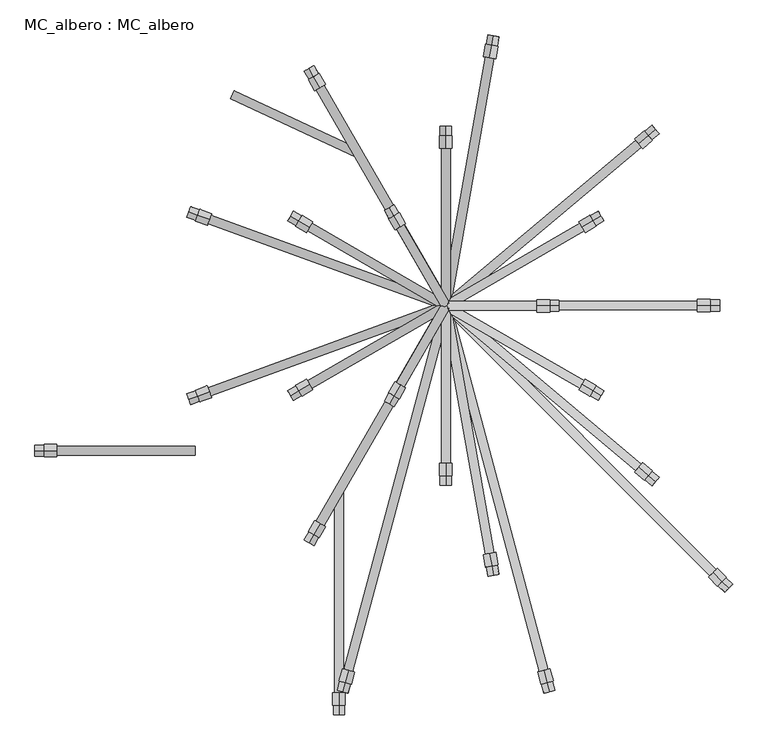
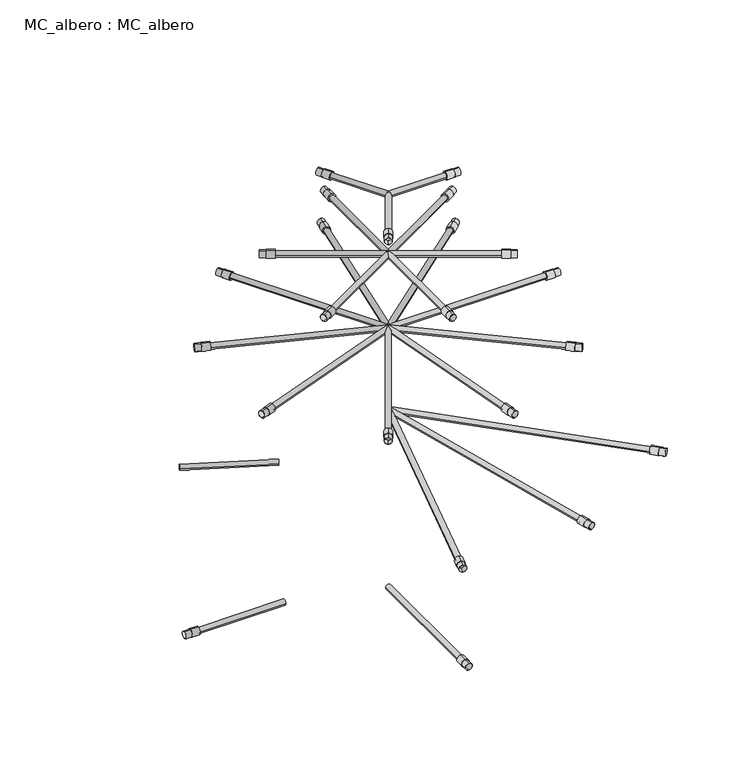
"""IFC4 building model written with IfcOpenShell, lengths in millimetres: proxy geometry, MC_albero : MC_albero."""

from ifc_helpers import new_model, si_unit, point, frame, frame_2d, origin, place, context, project, spatial, circle_curve, trimmed, segment, composite_curve, outline, extrude, source, transform, mapped, element, save


def mc_albero_mc_albero_b9264d87(model_context):
    return source(origin(), model_context, "Body", "SweptSolid", [
        extrude(outline(composite_curve([segment(trimmed(circle_curve(frame_2d((0.0, -7.0)), 7.0), [point((0.0, -14.0))], [point((0.0, 0.0))], False, "CARTESIAN"), True, "CONTINUOUS"), segment(trimmed(circle_curve(frame_2d((0.0, -7.0)), 7.0), [point((0.0, 0.0))], [point((0.0, -14.0))], False, "CARTESIAN"), True, "CONTINUOUS")], self_intersect=False)), frame((-142.9583278, 236.1429586, 369.4441846), z_axis=(-0.9063077870366488, 0.4226182617407018, 0.0), x_axis=(0.0, 0.0, -1.0)), (0.0, 0.0, 1.0), 220.0),
        extrude(outline(composite_curve([segment(trimmed(circle_curve(frame_2d((-230.0, 369.4441846)), 9.0), [point((-230.0, 378.4441846))], [point((-230.0, 360.4441846))], False, "CARTESIAN"), True, "CONTINUOUS"), segment(trimmed(circle_curve(frame_2d((-230.0, 369.4441846)), 9.0), [point((-230.0, 360.4441846))], [point((-230.0, 378.4441846))], False, "CARTESIAN"), True, "CONTINUOUS")], self_intersect=False), holes=[composite_curve([segment(trimmed(circle_curve(frame_2d((-230.0, 369.4441846)), 8.5), [point((-230.0, 377.9441846))], [point((-230.0, 360.9441846))], True, "CARTESIAN"), True, "CONTINUOUS"), segment(trimmed(circle_curve(frame_2d((-230.0, 369.4441846)), 8.5), [point((-230.0, 360.9441846))], [point((-230.0, 377.9441846))], True, "CARTESIAN"), True, "CONTINUOUS")], self_intersect=False)]), frame((-653.3716857, 0.0, 0.0), z_axis=(1.0, 0.0, 0.0), x_axis=(0.0, 1.0, 0.0)), (0.0, 0.0, 1.0), 15.0),
        extrude(outline(composite_curve([segment(trimmed(circle_curve(frame_2d((-230.0, 369.4441846)), 10.0), [point((-230.0, 379.4441846))], [point((-230.0, 359.4441846))], False, "CARTESIAN"), True, "CONTINUOUS"), segment(trimmed(circle_curve(frame_2d((-230.0, 369.4441846)), 10.0), [point((-230.0, 359.4441846))], [point((-230.0, 379.4441846))], False, "CARTESIAN"), True, "CONTINUOUS")], self_intersect=False)), frame((-638.3716857, 0.0, 0.0), z_axis=(1.0, 0.0, 0.0), x_axis=(0.0, 1.0, 0.0)), (0.0, 0.0, 1.0), 20.0),
        extrude(outline(composite_curve([segment(trimmed(circle_curve(frame_2d((-230.0, 369.4441846)), 7.0), [point((-223.0, 369.4441846))], [point((-237.0, 369.4441846))], False, "CARTESIAN"), True, "CONTINUOUS"), segment(trimmed(circle_curve(frame_2d((-230.0, 369.4441846)), 7.0), [point((-237.0, 369.4441846))], [point((-223.0, 369.4441846))], False, "CARTESIAN"), True, "CONTINUOUS")], self_intersect=False)), frame((-618.3716857, 0.0, 0.0), z_axis=(1.0, 0.0, 0.0), x_axis=(0.0, 1.0, 0.0)), (0.0, 0.0, 1.0), 220.0),
        extrude(outline(composite_curve([segment(trimmed(circle_curve(frame_2d((369.4441846, -170.0)), 9.0), [point((378.4441846, -170.0))], [point((360.4441846, -170.0))], False, "CARTESIAN"), True, "CONTINUOUS"), segment(trimmed(circle_curve(frame_2d((369.4441846, -170.0)), 9.0), [point((360.4441846, -170.0))], [point((378.4441846, -170.0))], False, "CARTESIAN"), True, "CONTINUOUS")], self_intersect=False), holes=[composite_curve([segment(trimmed(circle_curve(frame_2d((369.4441846, -170.0)), 8.5), [point((377.9441846, -170.0))], [point((360.9441846, -170.0))], True, "CARTESIAN"), True, "CONTINUOUS"), segment(trimmed(circle_curve(frame_2d((369.4441846, -170.0)), 8.5), [point((360.9441846, -170.0))], [point((377.9441846, -170.0))], True, "CARTESIAN"), True, "CONTINUOUS")], self_intersect=False)]), frame((0.0, -649.4486373, 0.0), z_axis=(0.0, 1.0, 0.0), x_axis=(0.0, 0.0, 1.0)), (0.0, 0.0, 1.0), 15.0),
        extrude(outline(composite_curve([segment(trimmed(circle_curve(frame_2d((369.4441846, -170.0)), 10.0), [point((379.4441846, -170.0))], [point((359.4441846, -170.0))], False, "CARTESIAN"), True, "CONTINUOUS"), segment(trimmed(circle_curve(frame_2d((369.4441846, -170.0)), 10.0), [point((359.4441846, -170.0))], [point((379.4441846, -170.0))], False, "CARTESIAN"), True, "CONTINUOUS")], self_intersect=False)), frame((0.0, -634.4486373, 0.0), z_axis=(0.0, 1.0, 0.0), x_axis=(0.0, 0.0, 1.0)), (0.0, 0.0, 1.0), 20.0),
        extrude(outline(composite_curve([segment(trimmed(circle_curve(frame_2d((369.4441846, -170.0)), 7.0), [point((369.4441846, -177.0))], [point((369.4441846, -163.0))], False, "CARTESIAN"), True, "CONTINUOUS"), segment(trimmed(circle_curve(frame_2d((369.4441846, -170.0)), 7.0), [point((369.4441846, -163.0))], [point((369.4441846, -177.0))], False, "CARTESIAN"), True, "CONTINUOUS")], self_intersect=False)), frame((0.0, -614.4486373, 0.0), z_axis=(0.0, 1.0, 0.0), x_axis=(0.0, 0.0, 1.0)), (0.0, 0.0, 1.0), 320.0),
        extrude(outline(composite_curve([segment(trimmed(circle_curve(frame_2d((0.0, -9.0)), 9.0), [point((0.0, -18.0))], [point((0.0, 0.0))], False, "CARTESIAN"), True, "CONTINUOUS"), segment(trimmed(circle_curve(frame_2d((0.0, -9.0)), 9.0), [point((0.0, 0.0))], [point((0.0, -18.0))], False, "CARTESIAN"), True, "CONTINUOUS")], self_intersect=False), holes=[composite_curve([segment(trimmed(circle_curve(frame_2d((0.0, -9.0)), 8.5), [point((0.0, -17.5))], [point((0.0, -0.5))], True, "CARTESIAN"), True, "CONTINUOUS"), segment(trimmed(circle_curve(frame_2d((0.0, -9.0)), 8.5), [point((0.0, -0.5))], [point((0.0, -17.5))], True, "CARTESIAN"), True, "CONTINUOUS")], self_intersect=False)]), frame((-82.5, 142.8941916, 1180.4441846), z_axis=(-0.49999999999999506, 0.8660254037844415, 0.0), x_axis=(0.8660254037844415, 0.49999999999999506, 0.0)), (0.0, 0.0, 1.0), 15.0),
        extrude(outline(composite_curve([segment(trimmed(circle_curve(frame_2d((0.0, -10.0)), 10.0), [point((0.0, -20.0))], [point((0.0, 0.0))], False, "CARTESIAN"), True, "CONTINUOUS"), segment(trimmed(circle_curve(frame_2d((0.0, -10.0)), 10.0), [point((0.0, 0.0))], [point((0.0, -20.0))], False, "CARTESIAN"), True, "CONTINUOUS")], self_intersect=False)), frame((-72.5, 125.5736835, 1179.4441846), z_axis=(-0.49999999999999506, 0.8660254037844415, 0.0), x_axis=(0.8660254037844415, 0.49999999999999506, 0.0)), (0.0, 0.0, 1.0), 20.0),
        extrude(outline(composite_curve([segment(trimmed(circle_curve(frame_2d((0.0, -7.0)), 7.0), [point((0.0, -14.0))], [point((0.0, 0.0))], False, "CARTESIAN"), True, "CONTINUOUS"), segment(trimmed(circle_curve(frame_2d((0.0, -7.0)), 7.0), [point((0.0, 0.0))], [point((0.0, -14.0))], False, "CARTESIAN"), True, "CONTINUOUS")], self_intersect=False)), frame((-6.0621778, -3.5, 1189.4441846), z_axis=(-0.49999999999999506, 0.8660254037844415, 0.0), x_axis=(0.0, 0.0, -1.0)), (0.0, 0.0, 1.0), 145.0),
        extrude(outline(composite_curve([segment(trimmed(circle_curve(frame_2d((0.0, -9.0)), 9.0), [point((0.0, -18.0))], [point((0.0, 0.0))], False, "CARTESIAN"), True, "CONTINUOUS"), segment(trimmed(circle_curve(frame_2d((0.0, -9.0)), 9.0), [point((0.0, 0.0))], [point((0.0, -18.0))], False, "CARTESIAN"), True, "CONTINUOUS")], self_intersect=False), holes=[composite_curve([segment(trimmed(circle_curve(frame_2d((0.0, -9.0)), 8.5), [point((0.0, -17.5))], [point((0.0, -0.5))], True, "CARTESIAN"), True, "CONTINUOUS"), segment(trimmed(circle_curve(frame_2d((0.0, -9.0)), 8.5), [point((0.0, -0.5))], [point((0.0, -17.5))], True, "CARTESIAN"), True, "CONTINUOUS")], self_intersect=False)]), frame((-90.0, -155.8845727, 1180.4441846), z_axis=(0.5000000000000062, 0.866025403784435, 0.0), x_axis=(0.866025403784435, -0.5000000000000062, 0.0)), (0.0, 0.0, 1.0), 15.0),
        extrude(outline(composite_curve([segment(trimmed(circle_curve(frame_2d((0.0, -10.0)), 10.0), [point((0.0, -20.0))], [point((0.0, 0.0))], False, "CARTESIAN"), True, "CONTINUOUS"), segment(trimmed(circle_curve(frame_2d((0.0, -10.0)), 10.0), [point((0.0, 0.0))], [point((0.0, -20.0))], False, "CARTESIAN"), True, "CONTINUOUS")], self_intersect=False)), frame((-82.5, -142.8941916, 1179.4441846), z_axis=(0.5000000000000062, 0.866025403784435, 0.0), x_axis=(0.866025403784435, -0.5000000000000062, 0.0)), (0.0, 0.0, 1.0), 20.0),
        extrude(outline(composite_curve([segment(trimmed(circle_curve(frame_2d((0.0, -7.0)), 7.0), [point((0.0, -14.0))], [point((0.0, 0.0))], False, "CARTESIAN"), True, "CONTINUOUS"), segment(trimmed(circle_curve(frame_2d((0.0, -7.0)), 7.0), [point((0.0, 0.0))], [point((0.0, -14.0))], False, "CARTESIAN"), True, "CONTINUOUS")], self_intersect=False)), frame((-66.4378222, -129.0736835, 1189.4441846), z_axis=(0.5000000000000062, 0.866025403784435, 0.0), x_axis=(0.0, 0.0, 1.0)), (0.0, 0.0, 1.0), 145.0),
        extrude(outline(composite_curve([segment(trimmed(circle_curve(frame_2d((0.0, 1189.4441846)), 9.0), [point((0.0, 1198.4441846))], [point((0.0, 1180.4441846))], False, "CARTESIAN"), True, "CONTINUOUS"), segment(trimmed(circle_curve(frame_2d((0.0, 1189.4441846)), 9.0), [point((0.0, 1180.4441846))], [point((0.0, 1198.4441846))], False, "CARTESIAN"), True, "CONTINUOUS")], self_intersect=False), holes=[composite_curve([segment(trimmed(circle_curve(frame_2d((0.0, 1189.4441846)), 8.5), [point((0.0, 1197.9441846))], [point((0.0, 1180.9441846))], True, "CARTESIAN"), True, "CONTINUOUS"), segment(trimmed(circle_curve(frame_2d((0.0, 1189.4441846)), 8.5), [point((0.0, 1180.9441846))], [point((0.0, 1197.9441846))], True, "CARTESIAN"), True, "CONTINUOUS")], self_intersect=False)]), frame((165.0, 0.0, 0.0), z_axis=(1.0, 0.0, 0.0), x_axis=(0.0, 1.0, 0.0)), (0.0, 0.0, 1.0), 15.0),
        extrude(outline(composite_curve([segment(trimmed(circle_curve(frame_2d((0.0, 1189.4441846)), 10.0), [point((0.0, 1199.4441846))], [point((0.0, 1179.4441846))], False, "CARTESIAN"), True, "CONTINUOUS"), segment(trimmed(circle_curve(frame_2d((0.0, 1189.4441846)), 10.0), [point((0.0, 1179.4441846))], [point((0.0, 1199.4441846))], False, "CARTESIAN"), True, "CONTINUOUS")], self_intersect=False)), frame((145.0, 0.0, 0.0), z_axis=(1.0, 0.0, 0.0), x_axis=(0.0, 1.0, 0.0)), (0.0, 0.0, 1.0), 20.0),
        extrude(outline(composite_curve([segment(trimmed(circle_curve(frame_2d((0.0, 1189.4441846)), 7.0), [point((-7.0, 1189.4441846))], [point((7.0, 1189.4441846))], False, "CARTESIAN"), True, "CONTINUOUS"), segment(trimmed(circle_curve(frame_2d((0.0, 1189.4441846)), 7.0), [point((7.0, 1189.4441846))], [point((-7.0, 1189.4441846))], False, "CARTESIAN"), True, "CONTINUOUS")], self_intersect=False)), frame((0.0, 0.0, 0.0), z_axis=(1.0, 0.0, 0.0), x_axis=(0.0, 1.0, 0.0)), (0.0, 0.0, 1.0), 145.0),
        extrude(outline(composite_curve([segment(trimmed(circle_curve(frame_2d((1029.4441846, -0.1114711)), 9.0), [point((1038.4441846, -0.1114711))], [point((1020.4441846, -0.1114711))], False, "CARTESIAN"), True, "CONTINUOUS"), segment(trimmed(circle_curve(frame_2d((1029.4441846, -0.1114711)), 9.0), [point((1020.4441846, -0.1114711))], [point((1038.4441846, -0.1114711))], False, "CARTESIAN"), True, "CONTINUOUS")], self_intersect=False), holes=[composite_curve([segment(trimmed(circle_curve(frame_2d((1029.4441846, -0.1114711)), 8.5), [point((1037.9441846, -0.1114711))], [point((1020.9441846, -0.1114711))], True, "CARTESIAN"), True, "CONTINUOUS"), segment(trimmed(circle_curve(frame_2d((1029.4441846, -0.1114711)), 8.5), [point((1020.9441846, -0.1114711))], [point((1037.9441846, -0.1114711))], True, "CARTESIAN"), True, "CONTINUOUS")], self_intersect=False)]), frame((0.0, -285.0352524, 0.0), z_axis=(0.0, 1.0, 0.0), x_axis=(0.0, 0.0, 1.0)), (0.0, 0.0, 1.0), 15.0),
        extrude(outline(composite_curve([segment(trimmed(circle_curve(frame_2d((1029.4441846, -0.1114711)), 10.0), [point((1039.4441846, -0.1114711))], [point((1019.4441846, -0.1114711))], False, "CARTESIAN"), True, "CONTINUOUS"), segment(trimmed(circle_curve(frame_2d((1029.4441846, -0.1114711)), 10.0), [point((1019.4441846, -0.1114711))], [point((1039.4441846, -0.1114711))], False, "CARTESIAN"), True, "CONTINUOUS")], self_intersect=False)), frame((0.0, -270.0352524, 0.0), z_axis=(0.0, 1.0, 0.0), x_axis=(0.0, 0.0, 1.0)), (0.0, 0.0, 1.0), 20.0),
        extrude(outline(composite_curve([segment(trimmed(circle_curve(frame_2d((1029.4441846, -0.1114711)), 7.0), [point((1029.4441846, -7.1114711))], [point((1029.4441846, 6.8885289))], False, "CARTESIAN"), True, "CONTINUOUS"), segment(trimmed(circle_curve(frame_2d((1029.4441846, -0.1114711)), 7.0), [point((1029.4441846, 6.8885289))], [point((1029.4441846, -7.1114711))], False, "CARTESIAN"), True, "CONTINUOUS")], self_intersect=False)), frame((0.0, -250.0352524, 0.0), z_axis=(0.0, 1.0, 0.0), x_axis=(0.0, 0.0, 1.0)), (0.0, 0.0, 1.0), 250.0),
        extrude(outline(composite_curve([segment(trimmed(circle_curve(frame_2d((0.0, -9.0)), 9.0), [point((0.0, -18.0))], [point((0.0, 0.0))], False, "CARTESIAN"), True, "CONTINUOUS"), segment(trimmed(circle_curve(frame_2d((0.0, -9.0)), 9.0), [point((0.0, 0.0))], [point((0.0, -18.0))], False, "CARTESIAN"), True, "CONTINUOUS")], self_intersect=False), holes=[composite_curve([segment(trimmed(circle_curve(frame_2d((0.0, -9.0)), 8.5), [point((0.0, -17.5))], [point((0.0, -0.5))], True, "CARTESIAN"), True, "CONTINUOUS"), segment(trimmed(circle_curve(frame_2d((0.0, -9.0)), 8.5), [point((0.0, -0.5))], [point((0.0, -17.5))], True, "CARTESIAN"), True, "CONTINUOUS")], self_intersect=False)]), frame((-246.9287112, -142.5352524, 1020.4441846), z_axis=(0.8660254037844455, 0.4999999999999883, 0.0), x_axis=(0.4999999999999883, -0.8660254037844455, 0.0)), (0.0, 0.0, 1.0), 15.0),
        extrude(outline(composite_curve([segment(trimmed(circle_curve(frame_2d((0.0, -10.0)), 10.0), [point((0.0, -20.0))], [point((0.0, 0.0))], False, "CARTESIAN"), True, "CONTINUOUS"), segment(trimmed(circle_curve(frame_2d((0.0, -10.0)), 10.0), [point((0.0, 0.0))], [point((0.0, -20.0))], False, "CARTESIAN"), True, "CONTINUOUS")], self_intersect=False)), frame((-233.9383301, -135.0352524, 1019.4441846), z_axis=(0.8660254037844455, 0.4999999999999883, 0.0), x_axis=(0.4999999999999883, -0.8660254037844455, 0.0)), (0.0, 0.0, 1.0), 20.0),
        extrude(outline(composite_curve([segment(trimmed(circle_curve(frame_2d((0.0, -7.0)), 7.0), [point((0.0, -14.0))], [point((0.0, 0.0))], False, "CARTESIAN"), True, "CONTINUOUS"), segment(trimmed(circle_curve(frame_2d((0.0, -7.0)), 7.0), [point((0.0, 0.0))], [point((0.0, -14.0))], False, "CARTESIAN"), True, "CONTINUOUS")], self_intersect=False)), frame((-213.1178221, -131.0974302, 1029.4441846), z_axis=(0.8660254037844455, 0.4999999999999883, 0.0), x_axis=(0.0, 0.0, 1.0)), (0.0, 0.0, 1.0), 250.0),
        extrude(outline(composite_curve([segment(trimmed(circle_curve(frame_2d((0.0, -9.0)), 9.0), [point((0.0, -18.0))], [point((0.0, 0.0))], False, "CARTESIAN"), True, "CONTINUOUS"), segment(trimmed(circle_curve(frame_2d((0.0, -9.0)), 9.0), [point((0.0, 0.0))], [point((0.0, -18.0))], False, "CARTESIAN"), True, "CONTINUOUS")], self_intersect=False), holes=[composite_curve([segment(trimmed(circle_curve(frame_2d((0.0, -9.0)), 8.5), [point((0.0, -17.5))], [point((0.0, -0.5))], True, "CARTESIAN"), True, "CONTINUOUS"), segment(trimmed(circle_curve(frame_2d((0.0, -9.0)), 8.5), [point((0.0, -0.5))], [point((0.0, -17.5))], True, "CARTESIAN"), True, "CONTINUOUS")], self_intersect=False)]), frame((-233.9383301, 134.9647476, 1020.4441846), z_axis=(-0.8660254037844324, 0.5000000000000111, 0.0), x_axis=(0.5000000000000111, 0.8660254037844324, 0.0)), (0.0, 0.0, 1.0), 15.0),
        extrude(outline(composite_curve([segment(trimmed(circle_curve(frame_2d((0.0, -10.0)), 10.0), [point((0.0, -20.0))], [point((0.0, 0.0))], False, "CARTESIAN"), True, "CONTINUOUS"), segment(trimmed(circle_curve(frame_2d((0.0, -10.0)), 10.0), [point((0.0, 0.0))], [point((0.0, -20.0))], False, "CARTESIAN"), True, "CONTINUOUS")], self_intersect=False)), frame((-216.6178221, 124.9647476, 1019.4441846), z_axis=(-0.8660254037844324, 0.5000000000000111, 0.0), x_axis=(0.5000000000000111, 0.8660254037844324, 0.0)), (0.0, 0.0, 1.0), 20.0),
        extrude(outline(composite_curve([segment(trimmed(circle_curve(frame_2d((0.0, -7.0)), 7.0), [point((0.0, -14.0))], [point((0.0, 0.0))], False, "CARTESIAN"), True, "CONTINUOUS"), segment(trimmed(circle_curve(frame_2d((0.0, -7.0)), 7.0), [point((0.0, 0.0))], [point((0.0, -14.0))], False, "CARTESIAN"), True, "CONTINUOUS")], self_intersect=False)), frame((-3.6114711, -6.0974302, 1029.4441846), z_axis=(-0.8660254037844324, 0.5000000000000111, 0.0), x_axis=(0.0, 0.0, -1.0)), (0.0, 0.0, 1.0), 250.0),
        extrude(outline(composite_curve([segment(trimmed(circle_curve(frame_2d((1029.4441846, -0.1114711)), 9.0), [point((1038.4441846, -0.1114711))], [point((1020.4441846, -0.1114711))], False, "CARTESIAN"), True, "CONTINUOUS"), segment(trimmed(circle_curve(frame_2d((1029.4441846, -0.1114711)), 9.0), [point((1020.4441846, -0.1114711))], [point((1038.4441846, -0.1114711))], False, "CARTESIAN"), True, "CONTINUOUS")], self_intersect=False), holes=[composite_curve([segment(trimmed(circle_curve(frame_2d((1029.4441846, -0.1114711)), 8.5), [point((1037.9441846, -0.1114711))], [point((1020.9441846, -0.1114711))], True, "CARTESIAN"), True, "CONTINUOUS"), segment(trimmed(circle_curve(frame_2d((1029.4441846, -0.1114711)), 8.5), [point((1020.9441846, -0.1114711))], [point((1037.9441846, -0.1114711))], True, "CARTESIAN"), True, "CONTINUOUS")], self_intersect=False)]), frame((0.0, 269.9647476, 0.0), z_axis=(0.0, 1.0, 0.0), x_axis=(0.0, 0.0, 1.0)), (0.0, 0.0, 1.0), 15.0),
        extrude(outline(composite_curve([segment(trimmed(circle_curve(frame_2d((1029.4441846, -0.1114711)), 10.0), [point((1039.4441846, -0.1114711))], [point((1019.4441846, -0.1114711))], False, "CARTESIAN"), True, "CONTINUOUS"), segment(trimmed(circle_curve(frame_2d((1029.4441846, -0.1114711)), 10.0), [point((1019.4441846, -0.1114711))], [point((1039.4441846, -0.1114711))], False, "CARTESIAN"), True, "CONTINUOUS")], self_intersect=False)), frame((0.0, 249.9647476, 0.0), z_axis=(0.0, 1.0, 0.0), x_axis=(0.0, 0.0, 1.0)), (0.0, 0.0, 1.0), 20.0),
        extrude(outline(composite_curve([segment(trimmed(circle_curve(frame_2d((1029.4441846, -0.1114711)), 7.0), [point((1029.4441846, 6.8885289))], [point((1029.4441846, -7.1114711))], False, "CARTESIAN"), True, "CONTINUOUS"), segment(trimmed(circle_curve(frame_2d((1029.4441846, -0.1114711)), 7.0), [point((1029.4441846, -7.1114711))], [point((1029.4441846, 6.8885289))], False, "CARTESIAN"), True, "CONTINUOUS")], self_intersect=False)), frame((0.0, -0.0352524, 0.0), z_axis=(0.0, 1.0, 0.0), x_axis=(0.0, 0.0, 1.0)), (0.0, 0.0, 1.0), 250.0),
        extrude(outline(composite_curve([segment(trimmed(circle_curve(frame_2d((0.0, -9.0)), 9.0), [point((0.0, -18.0))], [point((0.0, 0.0))], False, "CARTESIAN"), True, "CONTINUOUS"), segment(trimmed(circle_curve(frame_2d((0.0, -9.0)), 9.0), [point((0.0, 0.0))], [point((0.0, -18.0))], False, "CARTESIAN"), True, "CONTINUOUS")], self_intersect=False), holes=[composite_curve([segment(trimmed(circle_curve(frame_2d((0.0, -9.0)), 8.5), [point((0.0, -17.5))], [point((0.0, -0.5))], True, "CARTESIAN"), True, "CONTINUOUS"), segment(trimmed(circle_curve(frame_2d((0.0, -9.0)), 8.5), [point((0.0, -0.5))], [point((0.0, -17.5))], True, "CARTESIAN"), True, "CONTINUOUS")], self_intersect=False)]), frame((246.705769, -142.5352524, 1020.4441846), z_axis=(-0.8660254037844309, 0.5000000000000134, 0.0), x_axis=(0.5000000000000134, 0.8660254037844309, 0.0)), (0.0, 0.0, 1.0), 15.0),
        extrude(outline(composite_curve([segment(trimmed(circle_curve(frame_2d((0.0, -10.0)), 10.0), [point((0.0, -20.0))], [point((0.0, 0.0))], False, "CARTESIAN"), True, "CONTINUOUS"), segment(trimmed(circle_curve(frame_2d((0.0, -10.0)), 10.0), [point((0.0, 0.0))], [point((0.0, -20.0))], False, "CARTESIAN"), True, "CONTINUOUS")], self_intersect=False)), frame((233.7153879, -135.0352524, 1019.4441846), z_axis=(-0.8660254037844309, 0.5000000000000134, 0.0), x_axis=(0.5000000000000134, 0.8660254037844309, 0.0)), (0.0, 0.0, 1.0), 20.0),
        extrude(outline(composite_curve([segment(trimmed(circle_curve(frame_2d((0.0, -7.0000001)), 7.0), [point((0.0, -14.0))], [point((0.0, 0.0))], False, "CARTESIAN"), True, "CONTINUOUS"), segment(trimmed(circle_curve(frame_2d((0.0, -7.0000001)), 7.0), [point((0.0, 0.0))], [point((0.0, -14.0))], False, "CARTESIAN"), True, "CONTINUOUS")], self_intersect=False)), frame((219.8948798, -118.9730745, 1029.4441846), z_axis=(-0.8660254037844309, 0.5000000000000134, 0.0), x_axis=(0.0, 0.0, 1.0)), (0.0, 0.0, 1.0), 250.0),
        extrude(outline(composite_curve([segment(trimmed(circle_curve(frame_2d((0.0, -9.0)), 9.0), [point((0.0, -18.0))], [point((0.0, 0.0))], False, "CARTESIAN"), True, "CONTINUOUS"), segment(trimmed(circle_curve(frame_2d((0.0, -9.0)), 9.0), [point((0.0, 0.0))], [point((0.0, -18.0))], False, "CARTESIAN"), True, "CONTINUOUS")], self_intersect=False), holes=[composite_curve([segment(trimmed(circle_curve(frame_2d((0.0, -9.0)), 8.5), [point((0.0, -17.5))], [point((0.0, -0.5))], True, "CARTESIAN"), True, "CONTINUOUS"), segment(trimmed(circle_curve(frame_2d((0.0, -9.0)), 8.5), [point((0.0, -0.5))], [point((0.0, -17.5))], True, "CARTESIAN"), True, "CONTINUOUS")], self_intersect=False)]), frame((233.7153879, 134.9647476, 1020.4441846), z_axis=(0.8660254037844438, 0.49999999999999106, 0.0), x_axis=(0.49999999999999106, -0.8660254037844438, 0.0)), (0.0, 0.0, 1.0), 15.0),
        extrude(outline(composite_curve([segment(trimmed(circle_curve(frame_2d((0.0, -10.0)), 10.0), [point((0.0, -20.0))], [point((0.0, 0.0))], False, "CARTESIAN"), True, "CONTINUOUS"), segment(trimmed(circle_curve(frame_2d((0.0, -10.0)), 10.0), [point((0.0, 0.0))], [point((0.0, -20.0))], False, "CARTESIAN"), True, "CONTINUOUS")], self_intersect=False)), frame((216.3948798, 124.9647476, 1019.4441846), z_axis=(0.8660254037844438, 0.49999999999999106, 0.0), x_axis=(0.49999999999999106, -0.8660254037844438, 0.0)), (0.0, 0.0, 1.0), 20.0),
        extrude(outline(composite_curve([segment(trimmed(circle_curve(frame_2d((0.0, -7.0000001)), 7.0), [point((0.0, -14.0))], [point((0.0, 0.0))], False, "CARTESIAN"), True, "CONTINUOUS"), segment(trimmed(circle_curve(frame_2d((0.0, -7.0000001)), 7.0), [point((0.0, 0.0))], [point((0.0, -14.0))], False, "CARTESIAN"), True, "CONTINUOUS")], self_intersect=False)), frame((-3.6114711, 6.0269255, 1029.4441846), z_axis=(0.8660254037844438, 0.49999999999999106, 0.0), x_axis=(0.0, 0.0, -1.0)), (0.0, 0.0, 1.0), 250.0),
        extrude(outline(composite_curve([segment(trimmed(circle_curve(frame_2d((0.0, -9.0)), 9.0), [point((0.0, -18.0))], [point((0.0, 0.0))], False, "CARTESIAN"), True, "CONTINUOUS"), segment(trimmed(circle_curve(frame_2d((0.0, -9.0)), 9.0), [point((0.0, 0.0))], [point((0.0, -18.0))], False, "CARTESIAN"), True, "CONTINUOUS")], self_intersect=False), holes=[composite_curve([segment(trimmed(circle_curve(frame_2d((0.0, -9.0)), 8.5), [point((0.0, -17.5))], [point((0.0, -0.5))], True, "CARTESIAN"), True, "CONTINUOUS"), segment(trimmed(circle_curve(frame_2d((0.0, -9.0)), 8.5), [point((0.0, -0.5))], [point((0.0, -17.5))], True, "CARTESIAN"), True, "CONTINUOUS")], self_intersect=False)]), frame((75.5369573, -428.0355015, 820.4441846), z_axis=(-0.17364817766691626, 0.9848077530122106, 0.0), x_axis=(0.9848077530122106, 0.17364817766691626, 0.0)), (0.0, 0.0, 1.0), 15.0),
        extrude(outline(composite_curve([segment(trimmed(circle_curve(frame_2d((0.0, -10.0)), 10.0), [point((0.0, -20.0))], [point((0.0, 0.0))], False, "CARTESIAN"), True, "CONTINUOUS"), segment(trimmed(circle_curve(frame_2d((0.0, -10.0)), 10.0), [point((0.0, 0.0))], [point((0.0, -20.0))], False, "CARTESIAN"), True, "CONTINUOUS")], self_intersect=False)), frame((72.9322346, -413.2633852, 819.4441846), z_axis=(-0.17364817766691626, 0.9848077530122106, 0.0), x_axis=(0.9848077530122106, 0.17364817766691626, 0.0)), (0.0, 0.0, 1.0), 20.0),
        extrude(outline(composite_curve([segment(trimmed(circle_curve(frame_2d((0.0, -6.9999999)), 7.0), [point((0.0, -14.0))], [point((0.0, 0.0))], False, "CARTESIAN"), True, "CONTINUOUS"), segment(trimmed(circle_curve(frame_2d((0.0, -6.9999999)), 7.0), [point((0.0, 0.0))], [point((0.0, -14.0))], False, "CARTESIAN"), True, "CONTINUOUS")], self_intersect=False)), frame((76.3529253, -392.3516929, 829.4441846), z_axis=(-0.17364817766691626, 0.9848077530122106, 0.0), x_axis=(0.0, 0.0, 1.0)), (0.0, 0.0, 1.0), 400.0),
        extrude(outline(composite_curve([segment(trimmed(circle_curve(frame_2d((0.0, -9.0)), 9.0), [point((0.0, -18.0))], [point((0.0, 0.0))], False, "CARTESIAN"), True, "CONTINUOUS"), segment(trimmed(circle_curve(frame_2d((0.0, -9.0)), 9.0), [point((0.0, 0.0))], [point((0.0, -18.0))], False, "CARTESIAN"), True, "CONTINUOUS")], self_intersect=False), holes=[composite_curve([segment(trimmed(circle_curve(frame_2d((0.0, -9.0)), 8.5), [point((0.0, -17.5))], [point((0.0, -0.5))], True, "CARTESIAN"), True, "CONTINUOUS"), segment(trimmed(circle_curve(frame_2d((0.0, -9.0)), 8.5), [point((0.0, -0.5))], [point((0.0, -17.5))], True, "CARTESIAN"), True, "CONTINUOUS")], self_intersect=False)]), frame((-217.5, -376.3651796, 820.4441846), z_axis=(0.5000000000000125, 0.8660254037844314, 0.0), x_axis=(0.8660254037844314, -0.5000000000000125, 0.0)), (0.0, 0.0, 1.0), 15.0),
        extrude(outline(composite_curve([segment(trimmed(circle_curve(frame_2d((0.0, -10.0)), 10.0), [point((0.0, -20.0))], [point((0.0, 0.0))], False, "CARTESIAN"), True, "CONTINUOUS"), segment(trimmed(circle_curve(frame_2d((0.0, -10.0)), 10.0), [point((0.0, 0.0))], [point((0.0, -20.0))], False, "CARTESIAN"), True, "CONTINUOUS")], self_intersect=False)), frame((-210.0, -363.3747985, 819.4441846), z_axis=(0.5000000000000125, 0.8660254037844314, 0.0), x_axis=(0.8660254037844314, -0.5000000000000125, 0.0)), (0.0, 0.0, 1.0), 20.0),
        extrude(outline(composite_curve([segment(trimmed(circle_curve(frame_2d((0.0, -7.0)), 7.0), [point((0.0, -14.0))], [point((0.0, 0.0))], False, "CARTESIAN"), True, "CONTINUOUS"), segment(trimmed(circle_curve(frame_2d((0.0, -7.0)), 7.0), [point((0.0, 0.0))], [point((0.0, -14.0))], False, "CARTESIAN"), True, "CONTINUOUS")], self_intersect=False)), frame((-193.9378222, -349.5542905, 829.4441846), z_axis=(0.5000000000000125, 0.8660254037844314, 0.0), x_axis=(0.0, 0.0, 1.0)), (0.0, 0.0, 1.0), 400.0),
        extrude(outline(composite_curve([segment(trimmed(circle_curve(frame_2d((0.0, -9.0)), 9.0), [point((0.0, -18.0))], [point((0.0, 0.0))], False, "CARTESIAN"), True, "CONTINUOUS"), segment(trimmed(circle_curve(frame_2d((0.0, -9.0)), 9.0), [point((0.0, 0.0))], [point((0.0, -18.0))], False, "CARTESIAN"), True, "CONTINUOUS")], self_intersect=False), holes=[composite_curve([segment(trimmed(circle_curve(frame_2d((0.0, -9.0)), 8.5), [point((0.0, -17.5))], [point((0.0, -0.5))], True, "CARTESIAN"), True, "CONTINUOUS"), segment(trimmed(circle_curve(frame_2d((0.0, -9.0)), 8.5), [point((0.0, -0.5))], [point((0.0, -17.5))], True, "CARTESIAN"), True, "CONTINUOUS")], self_intersect=False)]), frame((-408.76629, -148.4228913, 820.4441846), z_axis=(0.9396926207859129, 0.3420201433256564, 0.0), x_axis=(0.3420201433256564, -0.9396926207859129, 0.0)), (0.0, 0.0, 1.0), 15.0),
        extrude(outline(composite_curve([segment(trimmed(circle_curve(frame_2d((0.0, -10.0)), 10.0), [point((0.0, -20.0))], [point((0.0, 0.0))], False, "CARTESIAN"), True, "CONTINUOUS"), segment(trimmed(circle_curve(frame_2d((0.0, -10.0)), 10.0), [point((0.0, 0.0))], [point((0.0, -20.0))], False, "CARTESIAN"), True, "CONTINUOUS")], self_intersect=False)), frame((-394.6709007, -143.2925892, 819.4441846), z_axis=(0.9396926207859129, 0.3420201433256564, 0.0), x_axis=(0.3420201433256564, -0.9396926207859129, 0.0)), (0.0, 0.0, 1.0), 20.0),
        extrude(outline(composite_curve([segment(trimmed(circle_curve(frame_2d((0.0, -7.0)), 7.0), [point((0.0, -14.0))], [point((0.0, 0.0))], False, "CARTESIAN"), True, "CONTINUOUS"), segment(trimmed(circle_curve(frame_2d((0.0, -7.0)), 7.0), [point((0.0, 0.0))], [point((0.0, -14.0))], False, "CARTESIAN"), True, "CONTINUOUS")], self_intersect=False)), frame((-373.4829073, -143.0300346, 829.4441846), z_axis=(0.9396926207859129, 0.3420201433256564, 0.0), x_axis=(0.0, 0.0, 1.0)), (0.0, 0.0, 1.0), 400.0),
        extrude(outline(composite_curve([segment(trimmed(circle_curve(frame_2d((0.0, -9.0)), 9.0), [point((0.0, -18.0))], [point((0.0, 0.0))], False, "CARTESIAN"), True, "CONTINUOUS"), segment(trimmed(circle_curve(frame_2d((0.0, -9.0)), 9.0), [point((0.0, 0.0))], [point((0.0, -18.0))], False, "CARTESIAN"), True, "CONTINUOUS")], self_intersect=False), holes=[composite_curve([segment(trimmed(circle_curve(frame_2d((0.0, -9.0)), 8.5), [point((0.0, -17.5))], [point((0.0, -0.5))], True, "CARTESIAN"), True, "CONTINUOUS"), segment(trimmed(circle_curve(frame_2d((0.0, -9.0)), 8.5), [point((0.0, -0.5))], [point((0.0, -17.5))], True, "CARTESIAN"), True, "CONTINUOUS")], self_intersect=False)]), frame((-394.6709007, 144.0043312, 820.4441846), z_axis=(-0.9396926207859063, 0.34202014332567454, 0.0), x_axis=(0.34202014332567454, 0.9396926207859063, 0.0)), (0.0, 0.0, 1.0), 15.0),
        extrude(outline(composite_curve([segment(trimmed(circle_curve(frame_2d((0.0, -10.0)), 10.0), [point((0.0, -20.0))], [point((0.0, 0.0))], False, "CARTESIAN"), True, "CONTINUOUS"), segment(trimmed(circle_curve(frame_2d((0.0, -10.0)), 10.0), [point((0.0, 0.0))], [point((0.0, -20.0))], False, "CARTESIAN"), True, "CONTINUOUS")], self_intersect=False)), frame((-375.8770483, 137.1639284, 819.4441846), z_axis=(-0.9396926207859063, 0.34202014332567454, 0.0), x_axis=(0.34202014332567454, 0.9396926207859063, 0.0)), (0.0, 0.0, 1.0), 20.0),
        extrude(outline(composite_curve([segment(trimmed(circle_curve(frame_2d((0.0, -7.0)), 7.0), [point((0.0, -14.0))], [point((0.0, 0.0))], False, "CARTESIAN"), True, "CONTINUOUS"), segment(trimmed(circle_curve(frame_2d((0.0, -7.0)), 7.0), [point((0.0, 0.0))], [point((0.0, -14.0))], False, "CARTESIAN"), True, "CONTINUOUS")], self_intersect=False)), frame((-2.394141, -6.2219773, 829.4441846), z_axis=(-0.9396926207859063, 0.34202014332567454, 0.0), x_axis=(0.0, 0.0, -1.0)), (0.0, 0.0, 1.0), 400.0),
        extrude(outline(composite_curve([segment(trimmed(circle_curve(frame_2d((0.0, -9.0)), 9.0), [point((0.0, -18.0))], [point((0.0, 0.0))], False, "CARTESIAN"), True, "CONTINUOUS"), segment(trimmed(circle_curve(frame_2d((0.0, -9.0)), 9.0), [point((0.0, 0.0))], [point((0.0, -18.0))], False, "CARTESIAN"), True, "CONTINUOUS")], self_intersect=False), holes=[composite_curve([segment(trimmed(circle_curve(frame_2d((0.0, -9.0)), 8.5), [point((0.0, -17.5))], [point((0.0, -0.5))], True, "CARTESIAN"), True, "CONTINUOUS"), segment(trimmed(circle_curve(frame_2d((0.0, -9.0)), 8.5), [point((0.0, -0.5))], [point((0.0, -17.5))], True, "CARTESIAN"), True, "CONTINUOUS")], self_intersect=False)]), frame((-210.0, 364.0865406, 820.4441846), z_axis=(-0.4999999999999951, 0.8660254037844416, 0.0), x_axis=(0.8660254037844416, 0.4999999999999951, 0.0)), (0.0, 0.0, 1.0), 15.0),
        extrude(outline(composite_curve([segment(trimmed(circle_curve(frame_2d((0.0, -10.0)), 10.0), [point((0.0, -20.0))], [point((0.0, 0.0))], False, "CARTESIAN"), True, "CONTINUOUS"), segment(trimmed(circle_curve(frame_2d((0.0, -10.0)), 10.0), [point((0.0, 0.0))], [point((0.0, -20.0))], False, "CARTESIAN"), True, "CONTINUOUS")], self_intersect=False)), frame((-200.0, 346.7660326, 819.4441846), z_axis=(-0.4999999999999951, 0.8660254037844416, 0.0), x_axis=(0.8660254037844416, 0.4999999999999951, 0.0)), (0.0, 0.0, 1.0), 20.0),
        extrude(outline(composite_curve([segment(trimmed(circle_curve(frame_2d((0.0, -7.0)), 7.0), [point((0.0, -14.0))], [point((0.0, 0.0))], False, "CARTESIAN"), True, "CONTINUOUS"), segment(trimmed(circle_curve(frame_2d((0.0, -7.0)), 7.0), [point((0.0, 0.0))], [point((0.0, -14.0))], False, "CARTESIAN"), True, "CONTINUOUS")], self_intersect=False)), frame((-6.0621778, -3.144129, 829.4441846), z_axis=(-0.4999999999999951, 0.8660254037844416, 0.0), x_axis=(0.0, 0.0, -1.0)), (0.0, 0.0, 1.0), 400.0),
        extrude(outline(composite_curve([segment(trimmed(circle_curve(frame_2d((0.0, -9.0)), 9.0), [point((0.0, -18.0))], [point((0.0, 0.0))], False, "CARTESIAN"), True, "CONTINUOUS"), segment(trimmed(circle_curve(frame_2d((0.0, -9.0)), 9.0), [point((0.0, 0.0))], [point((0.0, -18.0))], False, "CARTESIAN"), True, "CONTINUOUS")], self_intersect=False), holes=[composite_curve([segment(trimmed(circle_curve(frame_2d((0.0, -9.0)), 8.5), [point((0.0, -17.5))], [point((0.0, -0.5))], True, "CARTESIAN"), True, "CONTINUOUS"), segment(trimmed(circle_curve(frame_2d((0.0, -9.0)), 8.5), [point((0.0, -0.5))], [point((0.0, -17.5))], True, "CARTESIAN"), True, "CONTINUOUS")], self_intersect=False)]), frame((72.9322346, 413.9751273, 820.4441846), z_axis=(0.17364817766693486, 0.9848077530122074, 0.0), x_axis=(0.9848077530122074, -0.17364817766693486, 0.0)), (0.0, 0.0, 1.0), 15.0),
        extrude(outline(composite_curve([segment(trimmed(circle_curve(frame_2d((0.0, -10.0)), 10.0), [point((0.0, -20.0))], [point((0.0, 0.0))], False, "CARTESIAN"), True, "CONTINUOUS"), segment(trimmed(circle_curve(frame_2d((0.0, -10.0)), 10.0), [point((0.0, 0.0))], [point((0.0, -20.0))], False, "CARTESIAN"), True, "CONTINUOUS")], self_intersect=False)), frame((69.4592711, 394.2789722, 819.4441846), z_axis=(0.17364817766693486, 0.9848077530122074, 0.0), x_axis=(0.9848077530122074, -0.17364817766693486, 0.0)), (0.0, 0.0, 1.0), 20.0),
        extrude(outline(composite_curve([segment(trimmed(circle_curve(frame_2d((0.0, -7.0)), 7.0), [point((0.0, -14.0000001))], [point((0.0, 0.0))], False, "CARTESIAN"), True, "CONTINUOUS"), segment(trimmed(circle_curve(frame_2d((0.0, -7.0)), 7.0), [point((0.0, 0.0))], [point((0.0, -14.0000001))], False, "CARTESIAN"), True, "CONTINUOUS")], self_intersect=False)), frame((-6.8936543, 1.5714083, 829.4441846), z_axis=(0.17364817766693486, 0.9848077530122074, 0.0), x_axis=(0.0, 0.0, -1.0)), (0.0, 0.0, 1.0), 400.0),
        extrude(outline(composite_curve([segment(trimmed(circle_curve(frame_2d((0.0, -9.0)), 9.0), [point((0.0, -18.0))], [point((0.0, 0.0))], False, "CARTESIAN"), True, "CONTINUOUS"), segment(trimmed(circle_curve(frame_2d((0.0, -9.0)), 9.0), [point((0.0, 0.0))], [point((0.0, -18.0))], False, "CARTESIAN"), True, "CONTINUOUS")], self_intersect=False), holes=[composite_curve([segment(trimmed(circle_curve(frame_2d((0.0, -9.0)), 8.5), [point((0.0, -17.5))], [point((0.0, -0.5))], True, "CARTESIAN"), True, "CONTINUOUS"), segment(trimmed(circle_curve(frame_2d((0.0, -9.0)), 8.5), [point((0.0, -0.5))], [point((0.0, -17.5))], True, "CARTESIAN"), True, "CONTINUOUS")], self_intersect=False)]), frame((321.7386661, 270.3266671, 820.4441846), z_axis=(0.7660444431189807, 0.6427876096865364, 0.0), x_axis=(0.6427876096865364, -0.7660444431189807, 0.0)), (0.0, 0.0, 1.0), 15.0),
        extrude(outline(composite_curve([segment(trimmed(circle_curve(frame_2d((0.0, -10.0)), 10.0), [point((0.0, -20.0))], [point((0.0, 0.0))], False, "CARTESIAN"), True, "CONTINUOUS"), segment(trimmed(circle_curve(frame_2d((0.0, -10.0)), 10.0), [point((0.0, 0.0))], [point((0.0, -20.0))], False, "CARTESIAN"), True, "CONTINUOUS")], self_intersect=False)), frame((306.4177772, 257.4709149, 819.4441846), z_axis=(0.7660444431189807, 0.6427876096865364, 0.0), x_axis=(0.6427876096865364, -0.7660444431189807, 0.0)), (0.0, 0.0, 1.0), 20.0),
        extrude(outline(composite_curve([segment(trimmed(circle_curve(frame_2d((0.0, -7.0)), 7.0), [point((0.0, -14.0))], [point((0.0, 0.0))], False, "CARTESIAN"), True, "CONTINUOUS"), segment(trimmed(circle_curve(frame_2d((0.0, -7.0)), 7.0), [point((0.0, 0.0))], [point((0.0, -14.0))], False, "CARTESIAN"), True, "CONTINUOUS")], self_intersect=False)), frame((-4.4995133, 5.7181821, 829.4441846), z_axis=(0.7660444431189807, 0.6427876096865364, 0.0), x_axis=(0.0, 0.0, -1.0)), (0.0, 0.0, 1.0), 400.0),
        extrude(outline(composite_curve([segment(trimmed(circle_curve(frame_2d((0.0, -9.0)), 9.0), [point((0.0, -18.0))], [point((0.0, 0.0))], False, "CARTESIAN"), True, "CONTINUOUS"), segment(trimmed(circle_curve(frame_2d((0.0, -9.0)), 9.0), [point((0.0, 0.0))], [point((0.0, -18.0))], False, "CARTESIAN"), True, "CONTINUOUS")], self_intersect=False), holes=[composite_curve([segment(trimmed(circle_curve(frame_2d((0.0, -9.0)), 8.5), [point((0.0, -17.5))], [point((0.0, -0.5))], True, "CARTESIAN"), True, "CONTINUOUS"), segment(trimmed(circle_curve(frame_2d((0.0, -9.0)), 8.5), [point((0.0, -0.5))], [point((0.0, -17.5))], True, "CARTESIAN"), True, "CONTINUOUS")], self_intersect=False)]), frame((333.2293328, -279.2567392, 820.4441846), z_axis=(-0.7660444431189729, 0.6427876096865456, 0.0), x_axis=(0.6427876096865456, 0.7660444431189729, 0.0)), (0.0, 0.0, 1.0), 15.0),
        extrude(outline(composite_curve([segment(trimmed(circle_curve(frame_2d((0.0, -10.0)), 10.0), [point((0.0, -20.0))], [point((0.0, 0.0))], False, "CARTESIAN"), True, "CONTINUOUS"), segment(trimmed(circle_curve(frame_2d((0.0, -10.0)), 10.0), [point((0.0, 0.0))], [point((0.0, -20.0))], False, "CARTESIAN"), True, "CONTINUOUS")], self_intersect=False)), frame((321.7386661, -269.614925, 819.4441846), z_axis=(-0.7660444431189729, 0.6427876096865456, 0.0), x_axis=(0.6427876096865456, 0.7660444431189729, 0.0)), (0.0, 0.0, 1.0), 20.0),
        extrude(outline(composite_curve([segment(trimmed(circle_curve(frame_2d((0.0, -7.0)), 7.0), [point((0.0, -14.0))], [point((0.0, 0.0))], False, "CARTESIAN"), True, "CONTINUOUS"), segment(trimmed(circle_curve(frame_2d((0.0, -7.0)), 7.0), [point((0.0, 0.0))], [point((0.0, -14.0))], False, "CARTESIAN"), True, "CONTINUOUS")], self_intersect=False)), frame((310.9172905, -251.3968617, 829.4441846), z_axis=(-0.7660444431189729, 0.6427876096865456, 0.0), x_axis=(0.0, 0.0, 1.0)), (0.0, 0.0, 1.0), 400.0),
        extrude(outline(composite_curve([segment(trimmed(circle_curve(frame_2d((0.355871, 829.4441846)), 9.0), [point((0.355871, 838.4441846))], [point((0.355871, 820.4441846))], False, "CARTESIAN"), True, "CONTINUOUS"), segment(trimmed(circle_curve(frame_2d((0.355871, 829.4441846)), 9.0), [point((0.355871, 820.4441846))], [point((0.355871, 838.4441846))], False, "CARTESIAN"), True, "CONTINUOUS")], self_intersect=False), holes=[composite_curve([segment(trimmed(circle_curve(frame_2d((0.355871, 829.4441846)), 8.5), [point((0.355871, 837.9441846))], [point((0.355871, 820.9441846))], True, "CARTESIAN"), True, "CONTINUOUS"), segment(trimmed(circle_curve(frame_2d((0.355871, 829.4441846)), 8.5), [point((0.355871, 820.9441846))], [point((0.355871, 837.9441846))], True, "CARTESIAN"), True, "CONTINUOUS")], self_intersect=False)]), frame((420.0, 0.0, 0.0), z_axis=(1.0, 0.0, 0.0), x_axis=(0.0, 1.0, 0.0)), (0.0, 0.0, 1.0), 15.0),
        extrude(outline(composite_curve([segment(trimmed(circle_curve(frame_2d((0.355871, 829.4441846)), 10.0), [point((0.355871, 839.4441846))], [point((0.355871, 819.4441846))], False, "CARTESIAN"), True, "CONTINUOUS"), segment(trimmed(circle_curve(frame_2d((0.355871, 829.4441846)), 10.0), [point((0.355871, 819.4441846))], [point((0.355871, 839.4441846))], False, "CARTESIAN"), True, "CONTINUOUS")], self_intersect=False)), frame((400.0, 0.0, 0.0), z_axis=(1.0, 0.0, 0.0), x_axis=(0.0, 1.0, 0.0)), (0.0, 0.0, 1.0), 20.0),
        extrude(outline(composite_curve([segment(trimmed(circle_curve(frame_2d((0.355871, 829.4441846)), 7.0), [point((-6.644129, 829.4441846))], [point((7.355871, 829.4441846))], False, "CARTESIAN"), True, "CONTINUOUS"), segment(trimmed(circle_curve(frame_2d((0.355871, 829.4441846)), 7.0), [point((7.355871, 829.4441846))], [point((-6.644129, 829.4441846))], False, "CARTESIAN"), True, "CONTINUOUS")], self_intersect=False)), frame((0.0, 0.0, 0.0), z_axis=(1.0, 0.0, 0.0), x_axis=(0.0, 1.0, 0.0)), (0.0, 0.0, 1.0), 400.0),
        extrude(outline(composite_curve([segment(trimmed(circle_curve(frame_2d((0.0, -9.0)), 9.0), [point((0.0, -18.0))], [point((0.0, 0.0))], False, "CARTESIAN"), True, "CONTINUOUS"), segment(trimmed(circle_curve(frame_2d((0.0, -9.0)), 9.0), [point((0.0, 0.0))], [point((0.0, -18.0))], False, "CARTESIAN"), True, "CONTINUOUS")], self_intersect=False), holes=[composite_curve([segment(trimmed(circle_curve(frame_2d((0.0, -9.0)), 8.5), [point((0.0, -17.5))], [point((0.0, -0.5))], True, "CARTESIAN"), True, "CONTINUOUS"), segment(trimmed(circle_curve(frame_2d((0.0, -9.0)), 8.5), [point((0.0, -0.5))], [point((0.0, -17.5))], True, "CARTESIAN"), True, "CONTINUOUS")], self_intersect=False)]), frame((449.42499, -448.6397579, 600.4441846), z_axis=(-0.7071067811865626, 0.7071067811865326, 0.0), x_axis=(0.7071067811865326, 0.7071067811865626, 0.0)), (0.0, 0.0, 1.0), 15.0),
        extrude(outline(composite_curve([segment(trimmed(circle_curve(frame_2d((0.0, -10.0)), 10.0), [point((0.0, -20.0))], [point((0.0, 0.0))], False, "CARTESIAN"), True, "CONTINUOUS"), segment(trimmed(circle_curve(frame_2d((0.0, -10.0)), 10.0), [point((0.0, 0.0))], [point((0.0, -20.0))], False, "CARTESIAN"), True, "CONTINUOUS")], self_intersect=False)), frame((438.8183883, -438.0331562, 599.4441846), z_axis=(-0.7071067811865626, 0.7071067811865326, 0.0), x_axis=(0.7071067811865326, 0.7071067811865626, 0.0)), (0.0, 0.0, 1.0), 20.0),
        extrude(outline(composite_curve([segment(trimmed(circle_curve(frame_2d((0.0, -7.0)), 7.0), [point((0.0, -14.0))], [point((0.0, 0.0))], False, "CARTESIAN"), True, "CONTINUOUS"), segment(trimmed(circle_curve(frame_2d((0.0, -7.0)), 7.0), [point((0.0, 0.0))], [point((0.0, -14.0))], False, "CARTESIAN"), True, "CONTINUOUS")], self_intersect=False)), frame((429.6260001, -418.9412731, 609.4441846), z_axis=(-0.7071067811865626, 0.7071067811865326, 0.0), x_axis=(0.0, 0.0, 1.0)), (0.0, 0.0, 1.0), 600.0),
        extrude(outline(composite_curve([segment(trimmed(circle_curve(frame_2d((0.0, -9.0)), 9.0), [point((0.0, -18.0))], [point((0.0, 0.0))], False, "CARTESIAN"), True, "CONTINUOUS"), segment(trimmed(circle_curve(frame_2d((0.0, -9.0)), 9.0), [point((0.0, 0.0))], [point((0.0, -18.0))], False, "CARTESIAN"), True, "CONTINUOUS")], self_intersect=False), holes=[composite_curve([segment(trimmed(circle_curve(frame_2d((0.0, -9.0)), 8.5), [point((0.0, -17.5))], [point((0.0, -0.5))], True, "CARTESIAN"), True, "CONTINUOUS"), segment(trimmed(circle_curve(frame_2d((0.0, -9.0)), 8.5), [point((0.0, -0.5))], [point((0.0, -17.5))], True, "CARTESIAN"), True, "CONTINUOUS")], self_intersect=False)]), frame((164.7622776, -612.9898516, 600.4441846), z_axis=(-0.25881904510254194, 0.9659258262890627, 0.0), x_axis=(0.9659258262890627, 0.25881904510254194, 0.0)), (0.0, 0.0, 1.0), 15.0),
        extrude(outline(composite_curve([segment(trimmed(circle_curve(frame_2d((0.0, -10.0)), 10.0), [point((0.0, -20.0))], [point((0.0, 0.0))], False, "CARTESIAN"), True, "CONTINUOUS"), segment(trimmed(circle_curve(frame_2d((0.0, -10.0)), 10.0), [point((0.0, 0.0))], [point((0.0, -20.0))], False, "CARTESIAN"), True, "CONTINUOUS")], self_intersect=False)), frame((160.8799919, -598.5009642, 599.4441846), z_axis=(-0.25881904510254194, 0.9659258262890627, 0.0), x_axis=(0.9659258262890627, 0.25881904510254194, 0.0)), (0.0, 0.0, 1.0), 20.0),
        extrude(outline(composite_curve([segment(trimmed(circle_curve(frame_2d((0.0, -7.0)), 7.0), [point((0.0, -14.0))], [point((0.0, 0.0))], False, "CARTESIAN"), True, "CONTINUOUS"), segment(trimmed(circle_curve(frame_2d((0.0, -7.0)), 7.0), [point((0.0, 0.0))], [point((0.0, -14.0))], False, "CARTESIAN"), True, "CONTINUOUS")], self_intersect=False)), frame((162.4650918, -577.3707144, 609.4441846), z_axis=(-0.25881904510254194, 0.9659258262890627, 0.0), x_axis=(0.0, 0.0, 1.0)), (0.0, 0.0, 1.0), 600.0),
        extrude(outline(composite_curve([segment(trimmed(circle_curve(frame_2d((0.0, -9.0)), 9.0), [point((0.0, -18.0))], [point((0.0, 0.0))], False, "CARTESIAN"), True, "CONTINUOUS"), segment(trimmed(circle_curve(frame_2d((0.0, -9.0)), 9.0), [point((0.0, 0.0))], [point((0.0, -18.0))], False, "CARTESIAN"), True, "CONTINUOUS")], self_intersect=False), holes=[composite_curve([segment(trimmed(circle_curve(frame_2d((0.0, -9.0)), 8.5), [point((0.0, -17.5))], [point((0.0, -0.5))], True, "CARTESIAN"), True, "CONTINUOUS"), segment(trimmed(circle_curve(frame_2d((0.0, -9.0)), 8.5), [point((0.0, -0.5))], [point((0.0, -17.5))], True, "CARTESIAN"), True, "CONTINUOUS")], self_intersect=False)]), frame((-163.9379097, -612.9898516, 600.4441846), z_axis=(0.2588190451024999, 0.9659258262890739, 0.0), x_axis=(0.9659258262890739, -0.2588190451024999, 0.0)), (0.0, 0.0, 1.0), 15.0),
        extrude(outline(composite_curve([segment(trimmed(circle_curve(frame_2d((0.0, -10.0)), 10.0), [point((0.0, -20.0))], [point((0.0, 0.0))], False, "CARTESIAN"), True, "CONTINUOUS"), segment(trimmed(circle_curve(frame_2d((0.0, -10.0)), 10.0), [point((0.0, 0.0))], [point((0.0, -20.0))], False, "CARTESIAN"), True, "CONTINUOUS")], self_intersect=False)), frame((-160.055624, -598.5009642, 599.4441846), z_axis=(0.2588190451024999, 0.9659258262890739, 0.0), x_axis=(0.9659258262890739, -0.2588190451024999, 0.0)), (0.0, 0.0, 1.0), 20.0),
        extrude(outline(composite_curve([segment(trimmed(circle_curve(frame_2d((0.0, -7.0)), 7.0), [point((0.0, -14.0))], [point((0.0, 0.0))], False, "CARTESIAN"), True, "CONTINUOUS"), segment(trimmed(circle_curve(frame_2d((0.0, -7.0)), 7.0), [point((0.0, 0.0))], [point((0.0, -14.0))], False, "CARTESIAN"), True, "CONTINUOUS")], self_intersect=False)), frame((-148.1177623, -580.994181, 609.4441846), z_axis=(0.2588190451024999, 0.9659258262890739, 0.0), x_axis=(0.0, 0.0, 1.0)), (0.0, 0.0, 1.0), 600.0),
    ])


if __name__ == "__main__":
    model = new_model("IFC4")
    model_context = context("Model", 3, world=origin())
    ifc_project = project(units=[si_unit("LENGTHUNIT", "METRE", prefix="MILLI")], contexts=[model_context])
    site = spatial("IfcSite", under=ifc_project)
    building = spatial("IfcBuilding", under=site)
    placement = place(None, origin())
    mc_albero_mc_albero_shape = mc_albero_mc_albero_b9264d87(model_context)
    element("IfcBuildingElementProxy", 1, Name="MC_albero : MC_albero", ObjectType="MC_albero : MC_albero", at=placement, inside=building, context=model_context, shape_type="MappedRepresentation", body=[
        mapped(mc_albero_mc_albero_shape, transform((0.0, 0.0, 0.0), x_axis=(1.0, 0.0, 0.0), y_axis=(0.0, 1.0, 0.0), z_axis=(0.0, 0.0, 1.0))),
    ])
    save(model, "model.ifc")
